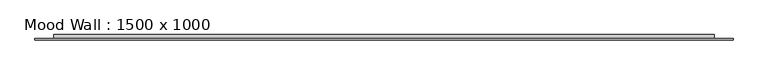
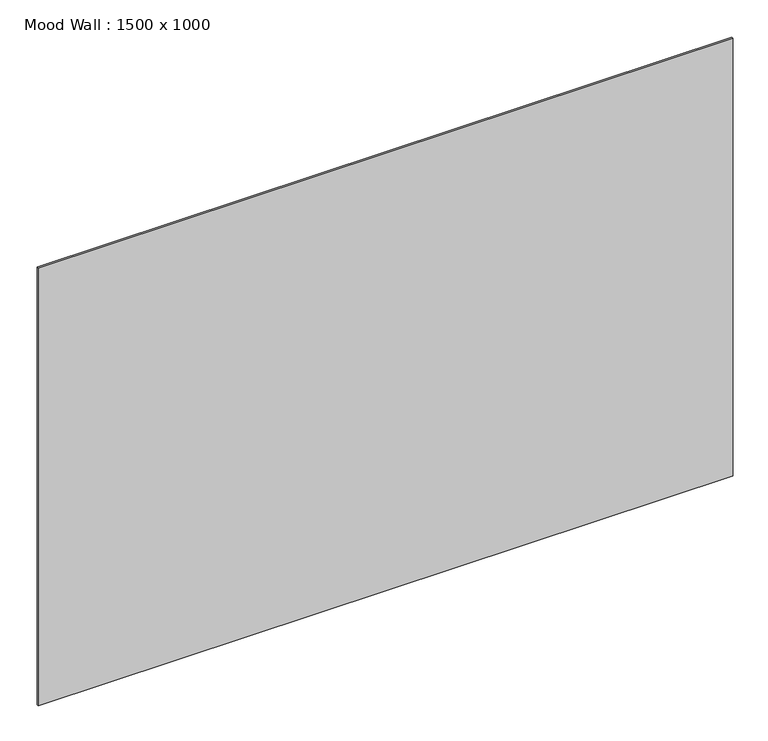
"""IFC4 building model written with IfcOpenShell, lengths in millimetres: furniture geometry, Mood Wall : 1500 x 1000."""

from ifc_helpers import new_model, si_unit, frame, origin, origin_with_axes, place, context, project, spatial, polyline, outline, extrude, source, transform, mapped, element, save


def mood_wall_1500_x_1000_828553c1(model_context):
    return source(origin(), model_context, "Body", "SweptSolid", [
        extrude(outline(polyline([(749.9945313, -8.0), (749.9945313, -12.0), (-749.9945312, -12.0), (-749.9945312, -8.0), (749.9945313, -8.0)])), origin_with_axes(), (0.0, 0.0, 1.0), 1000.0257813),
        extrude(outline(polyline([(709.9945313, 0.0), (709.9945313, -8.0), (-709.9945312, -8.0), (-709.9945312, 0.0), (709.9945313, 0.0)])), frame((0.0, 0.0, 40.0), z_axis=(0.0, 0.0, 1.0), x_axis=(1.0, 0.0, 0.0)), (0.0, 0.0, 1.0), 920.0257812),
    ])


if __name__ == "__main__":
    model = new_model("IFC4")
    model_context = context("Model", 3, world=origin())
    ifc_project = project(units=[si_unit("LENGTHUNIT", "METRE", prefix="MILLI")], contexts=[model_context])
    site = spatial("IfcSite", under=ifc_project)
    building = spatial("IfcBuilding", under=site)
    placement = place(None, origin())
    mood_wall_1500_x_1000_shape = mood_wall_1500_x_1000_828553c1(model_context)
    element("IfcFurniture", 1, ObjectType="Mood Wall : 1500 x 1000", at=placement, inside=building, context=model_context, shape_type="MappedRepresentation", body=[
        mapped(mood_wall_1500_x_1000_shape, transform((0.0, 0.0, 0.0), x_axis=(1.0, 0.0, 0.0), y_axis=(0.0, 1.0, 0.0), z_axis=(0.0, 0.0, 1.0))),
    ])
    save(model, "model.ifc")
